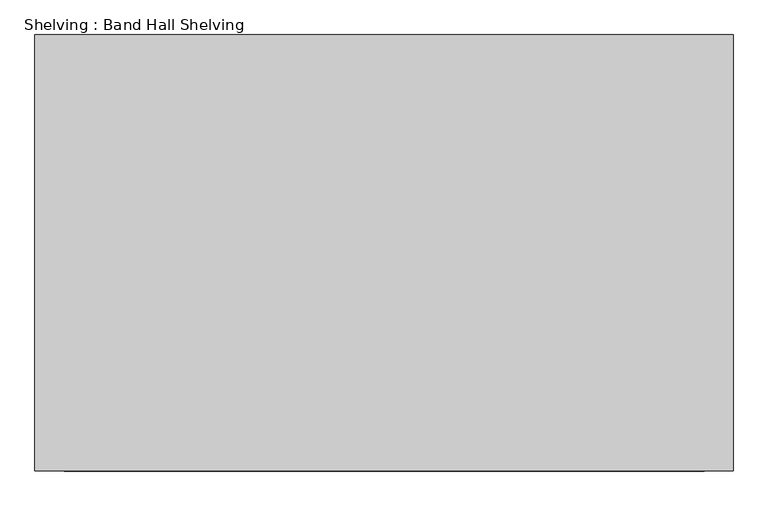
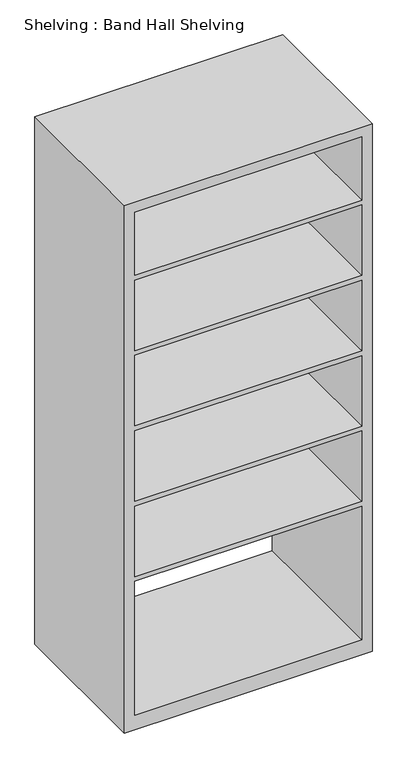
"""IFC4 building model written with IfcOpenShell, lengths in millimetres: furniture geometry, Shelving : Band Hall Shelving."""

import ifcopenshell
import ifcopenshell.guid

model = None  # the IFC model being written
_history = None  # IfcOwnerHistory: only IFC2X3 demands one
_inside = {}  # id of a spatial element -> (the spatial element, [elements in it])
_under = {}  # id of a project, library or spatial element -> (it, [spatial elements below it])
_declared = {}  # id of a project -> (the project, [libraries it declares])
_typed = {}  # id of a type object -> (the type object, [elements of that type])
_made_of = {}  # id of a material, layer set ... -> (it, [elements and type objects made of it])


def new_model(schema):
    """Start an empty IFC model of exactly this schema.

    Asked for "IFC4X3", IfcOpenShell would pick the latest addendum, in which some entities
    have other attributes; the version numbers below select the first issue.
    IFC2X3 requires an IfcOwnerHistory on every rooted entity: one is made here for all.
    """
    global model, _history
    if schema == "IFC4X3":
        model = ifcopenshell.file(schema_version=(4, 3, 0, 0))
    else:
        model = ifcopenshell.file(schema=schema)
    _inside.clear()
    _under.clear()
    _declared.clear()
    _typed.clear()
    _made_of.clear()
    _history = None
    if model.schema == "IFC2X3":
        org = make("IfcOrganization", Name="unknown")
        user = make(
            "IfcPersonAndOrganization",
            ThePerson=make("IfcPerson", FamilyName="unknown"),
            TheOrganization=org,
        )
        app = make(
            "IfcApplication",
            ApplicationDeveloper=org,
            Version="unknown",
            ApplicationFullName="unknown",
            ApplicationIdentifier="unknown",
        )
        _history = make(
            "IfcOwnerHistory",
            OwningUser=user,
            OwningApplication=app,
            ChangeAction="ADDED",
            CreationDate=0,
        )
    return model


def make(cls, **values):
    """One entity of the class cls with the attributes given. An attribute that is None is left unset."""
    return model.create_entity(
        cls, **{name: value for name, value in values.items() if value is not None}
    )


def rooted(cls, **values):
    """An entity with a GlobalId (a new one), such as an element, a storey or a relation."""
    return make(cls, GlobalId=ifcopenshell.guid.new(), OwnerHistory=_history, **values)


def si_unit(unit_type, name, prefix=None):
    """IfcSIUnit, for example si_unit("LENGTHUNIT", "METRE", prefix="MILLI")."""
    return make("IfcSIUnit", UnitType=unit_type, Prefix=prefix, Name=name)


def assignment(units):
    """IfcUnitAssignment: the units of a project."""
    return None if units is None else make("IfcUnitAssignment", Units=units)


def point(xyz):
    """IfcCartesianPoint."""
    return None if xyz is None else make("IfcCartesianPoint", Coordinates=xyz)


def direction(xyz):
    """IfcDirection."""
    return None if xyz is None else make("IfcDirection", DirectionRatios=xyz)


def frame(location, z_axis=None, x_axis=None):
    """IfcAxis2Placement3D, a coordinate frame: its origin and axes. An axis left out is left unset."""
    return make(
        "IfcAxis2Placement3D",
        Location=point(location),
        Axis=direction(z_axis),
        RefDirection=direction(x_axis),
    )


def origin():
    """The frame at (0, 0, 0) with its axes left unset."""
    return frame((0.0, 0.0, 0.0))


def place(relative_to, where):
    """IfcLocalPlacement: puts the frame where relative to a parent placement (None: the world)."""
    return make(
        "IfcLocalPlacement", PlacementRelTo=relative_to, RelativePlacement=where
    )


def context(
    kind, dimensions, precision=None, world=None, true_north=None, identifier=None
):
    """IfcGeometricRepresentationContext, for example the 3D "Model" context."""
    return make(
        "IfcGeometricRepresentationContext",
        ContextIdentifier=identifier,
        ContextType=kind,
        CoordinateSpaceDimension=dimensions,
        Precision=precision,
        WorldCoordinateSystem=world,
        TrueNorth=true_north,
    )


def project(units=None, contexts=None):
    """IfcProject with its units and contexts."""
    return rooted(
        "IfcProject",
        Name="project",
        RepresentationContexts=contexts,
        UnitsInContext=assignment(units),
    )


def spatial(cls, under=None, at=None, **own):
    """A site, building, storey or space (cls), placed at a placement, below another one or the project."""
    s = rooted(cls, ObjectPlacement=at, **own)
    if under is not None:
        _under.setdefault(under.id(), (under, []))[1].append(s)
    return s


def polyline(points):
    """IfcPolyline through the points."""
    return make("IfcPolyline", Points=[point(p) for p in points])


def outline(outer, holes=None, kind="AREA"):
    """IfcArbitraryClosedProfileDef: a profile drawn as a closed curve; with holes, ...WithVoids."""
    if holes is None:
        return make("IfcArbitraryClosedProfileDef", ProfileType=kind, OuterCurve=outer)
    return make(
        "IfcArbitraryProfileDefWithVoids",
        ProfileType=kind,
        OuterCurve=outer,
        InnerCurves=holes,
    )


def extrude(swept, where, along, depth):
    """IfcExtrudedAreaSolid: the profile swept, set in the frame where, extruded along a direction by depth."""
    return make(
        "IfcExtrudedAreaSolid",
        SweptArea=swept,
        Position=where,
        ExtrudedDirection=direction(along),
        Depth=depth,
    )


def shape(context_of_items, identifier, shape_type, items):
    """IfcShapeRepresentation: the items that make up one representation, for example the "Body"."""
    return make(
        "IfcShapeRepresentation",
        ContextOfItems=context_of_items,
        RepresentationIdentifier=identifier,
        RepresentationType=shape_type,
        Items=items,
    )


def source(mapping_origin, context_of_items, identifier, shape_type, items):
    """IfcRepresentationMap: a shape defined once, which mapped items show again and again."""
    return make(
        "IfcRepresentationMap",
        MappingOrigin=mapping_origin,
        MappedRepresentation=shape(context_of_items, identifier, shape_type, items),
    )


def transform(
    local_origin,
    x_axis=None,
    y_axis=None,
    z_axis=None,
    scale=None,
    scale2=None,
    scale3=None,
    uniform=True,
):
    """IfcCartesianTransformationOperator3D, or its non-uniform kind. x_axis, y_axis, z_axis: its Axis1, 2, 3."""
    if uniform:
        return make(
            "IfcCartesianTransformationOperator3D",
            Axis1=direction(x_axis),
            Axis2=direction(y_axis),
            LocalOrigin=point(local_origin),
            Scale=scale,
            Axis3=direction(z_axis),
        )
    return make(
        "IfcCartesianTransformationOperator3DnonUniform",
        Axis1=direction(x_axis),
        Axis2=direction(y_axis),
        LocalOrigin=point(local_origin),
        Scale=scale,
        Axis3=direction(z_axis),
        Scale2=scale2,
        Scale3=scale3,
    )


def mapped(mapping_source, mapping_target):
    """IfcMappedItem: shows the shape of a source again, moved by a transform."""
    return make(
        "IfcMappedItem", MappingSource=mapping_source, MappingTarget=mapping_target
    )


def made_of(thing, what):
    """Note that an element or type object is made of a material, layer set ...; save() writes the relation."""
    if what is not None:
        _made_of.setdefault(what.id(), (what, []))[1].append(thing)
    return thing


def element(
    cls,
    number,
    at=None,
    inside=None,
    cuts=None,
    type_object=None,
    material=None,
    context=None,
    identifier="Body",
    shape_type=None,
    held_by="IfcProductDefinitionShape",
    body=None,
    shapes=None,
    **own,
):
    """One element of the class cls, such as IfcWall. Its Tag is "e" and its number.

    at: its placement. inside: the storey or other place that contains it. cuts: it is an
    opening in that element (IfcRelVoidsElement). A single representation is given by context,
    identifier, shape_type and body (its items); several are given by shapes. held_by: the class
    of the entity that holds the representations. save() writes the other relations.
    """
    e = rooted(cls, Tag="e%d" % number, ObjectPlacement=at, **own)
    if body is not None:
        shapes = [shape(context, identifier, shape_type, body)]
    if shapes is not None:
        e.Representation = make(held_by, Representations=shapes)
    if inside is not None:
        _inside.setdefault(inside.id(), (inside, []))[1].append(e)
    if cuts is not None:
        rooted(
            "IfcRelVoidsElement", RelatingBuildingElement=cuts, RelatedOpeningElement=e
        )
    if type_object is not None:
        _typed.setdefault(type_object.id(), (type_object, []))[1].append(e)
    return made_of(e, material)


def aggregate(whole, parts):
    """IfcRelAggregates: a whole, such as a stair, and the parts it consists of."""
    return rooted("IfcRelAggregates", RelatingObject=whole, RelatedObjects=parts)


def save(model, path):
    """Write the relations noted so far, then the file.

    IfcRelAggregates (storeys below a building ...), IfcRelContainedInSpatialStructure (elements
    in a storey), IfcRelDefinesByType, IfcRelAssociatesMaterial and IfcRelDeclares: one each for
    every whole, place, type object, material and project.
    """
    for whole, parts in _under.values():
        aggregate(whole, parts)
    for where, things in _inside.values():
        rooted(
            "IfcRelContainedInSpatialStructure",
            RelatedElements=things,
            RelatingStructure=where,
        )
    for kind, things in _typed.values():
        rooted("IfcRelDefinesByType", RelatedObjects=things, RelatingType=kind)
    for what, things in _made_of.values():
        rooted("IfcRelAssociatesMaterial", RelatedObjects=things, RelatingMaterial=what)
    for by, libraries in _declared.values():
        rooted("IfcRelDeclares", RelatingContext=by, RelatedDefinitions=libraries)
    model.write(path)


def shelving_band_hall_shelving_bc76a2c7(model_context):
    return source(origin(), model_context, "Body", "SweptSolid", [
        extrude(outline(polyline([(0.0, 609.6), (2743.2, 609.6), (2743.2, -609.6), (0.0, -609.6), (0.0, 609.6)]), holes=[polyline([(2692.4, 558.8), (2364.0142857, 558.8), (2364.0142857, -558.8), (2692.4, -558.8), (2692.4, 558.8)]), polyline([(76.2, 558.8), (76.2, -558.8), (771.0714286, -558.8), (771.0714286, 558.8), (76.2, 558.8)]), polyline([(1580.2428571, -558.8), (1946.7285714, -558.8), (1946.7285714, 558.8), (1580.2428571, 558.8), (1580.2428571, -558.8)]), polyline([(2338.6142857, 558.8), (1972.1285714, 558.8), (1972.1285714, -558.8), (2338.6142857, -558.8), (2338.6142857, 558.8)]), polyline([(1554.8428571, 558.8), (1188.3571429, 558.8), (1188.3571429, -558.8), (1554.8428571, -558.8), (1554.8428571, 558.8)]), polyline([(1162.9571429, 558.8), (796.4714286, 558.8), (796.4714286, -558.8), (1162.9571429, -558.8), (1162.9571429, 558.8)])]), frame((0.0, -685.8, 0.0), z_axis=(0.0, 1.0, 0.0), x_axis=(0.0, 0.0, 1.0)), (0.0, 0.0, 1.0), 762.0),
    ])


if __name__ == "__main__":
    model = new_model("IFC4")
    model_context = context("Model", 3, world=origin())
    ifc_project = project(units=[si_unit("LENGTHUNIT", "METRE", prefix="MILLI")], contexts=[model_context])
    site = spatial("IfcSite", under=ifc_project)
    building = spatial("IfcBuilding", under=site)
    placement = place(None, origin())
    shelving_band_hall_shelving_shape = shelving_band_hall_shelving_bc76a2c7(model_context)
    element("IfcFurniture", 1, ObjectType="Shelving : Band Hall Shelving", at=placement, inside=building, context=model_context, shape_type="MappedRepresentation", body=[
        mapped(shelving_band_hall_shelving_shape, transform((0.0, 0.0, 0.0), x_axis=(1.0, 0.0, 0.0), y_axis=(0.0, 1.0, 0.0), z_axis=(0.0, 0.0, 1.0))),
    ])
    save(model, "model.ifc")
